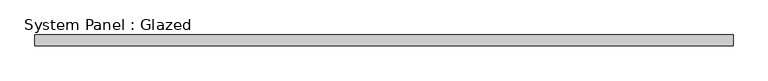
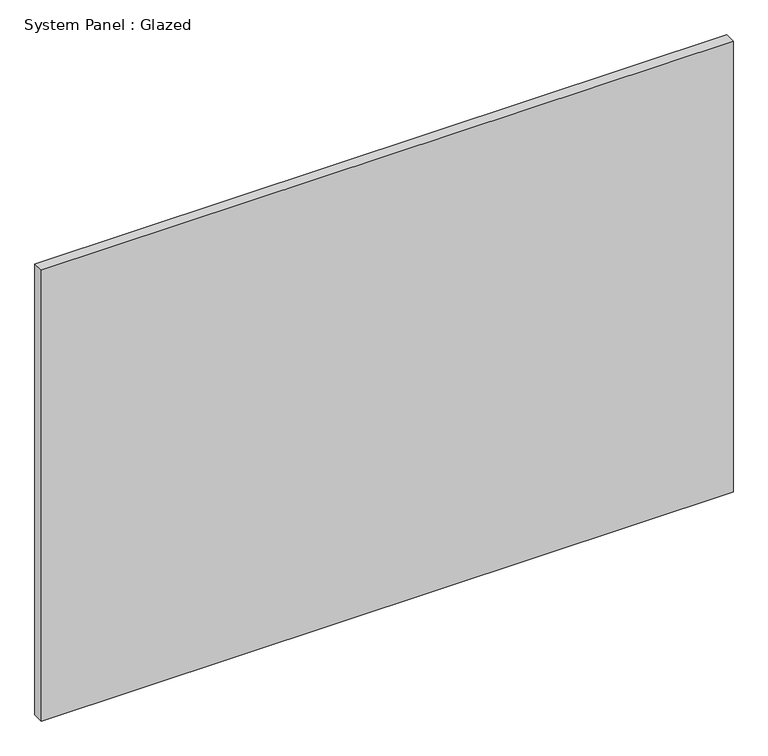
"""IFC4 building model written with IfcOpenShell, lengths in millimetres: plate geometry, System Panel : Glazed."""

from ifc_helpers import new_model, si_unit, origin, origin_with_axes, place, context, project, spatial, polyline, outline, extrude, source, transform, mapped, element, save


def system_panel_glazed_1bb27245(model_context):
    return source(origin(), model_context, "Body", "SweptSolid", [
        extrude(outline(polyline([(794.0628487, 24.5), (-794.0628487, 24.5), (-794.0628487, 49.5), (794.0628487, 49.5), (794.0628487, 24.5)])), origin_with_axes(), (0.0, 0.0, 1.0), 1095.0),
    ])


if __name__ == "__main__":
    model = new_model("IFC4")
    model_context = context("Model", 3, world=origin())
    ifc_project = project(units=[si_unit("LENGTHUNIT", "METRE", prefix="MILLI")], contexts=[model_context])
    site = spatial("IfcSite", under=ifc_project)
    building = spatial("IfcBuilding", under=site)
    placement = place(None, origin())
    system_panel_glazed_shape = system_panel_glazed_1bb27245(model_context)
    element("IfcPlate", 1, ObjectType="System Panel : Glazed", at=placement, inside=building, context=model_context, shape_type="MappedRepresentation", body=[
        mapped(system_panel_glazed_shape, transform((0.0, 0.0, 0.0), x_axis=(1.0, 0.0, 0.0), y_axis=(0.0, 1.0, 0.0), z_axis=(0.0, 0.0, 1.0))),
    ])
    save(model, "model.ifc")
